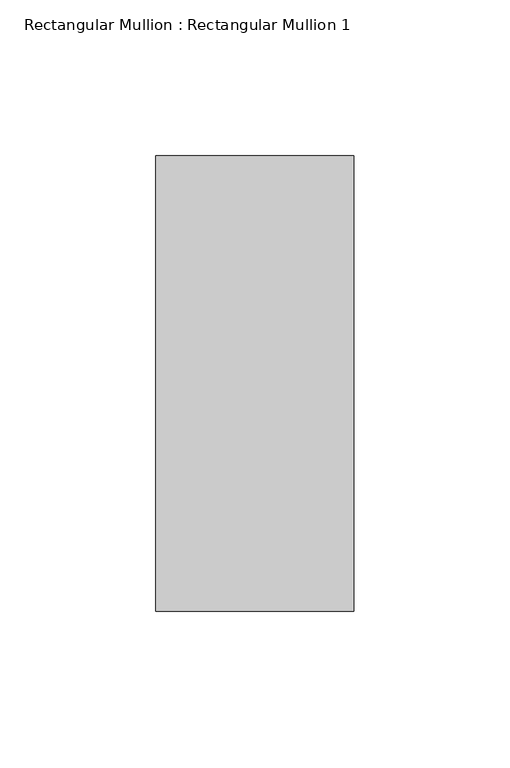
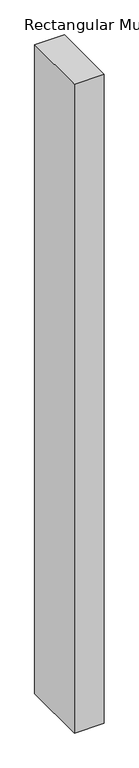
"""IFC4 building model written with IfcOpenShell, lengths in millimetres: member geometry, Rectangular Mullion : Rectangular Mullion 1."""

from ifc_helpers import new_model, si_unit, frame, origin, place, context, project, spatial, polyline, outline, extrude, source, transform, mapped, element, save


def rectangular_mullion_rectangular_mullion_1_220a56e6(model_context):
    return source(origin(), model_context, "Body", "SweptSolid", [
        extrude(outline(polyline([(0.0, 73.025), (0.0, -73.025), (-63.5, -73.025), (-63.5, 73.025), (0.0, 73.025)])), frame((0.0, 0.0, -1460.4999999), z_axis=(0.0, 0.0, 1.0), x_axis=(1.0, 0.0, 0.0)), (0.0, 0.0, 1.0), 1460.4999999),
    ])


if __name__ == "__main__":
    model = new_model("IFC4")
    model_context = context("Model", 3, world=origin())
    ifc_project = project(units=[si_unit("LENGTHUNIT", "METRE", prefix="MILLI")], contexts=[model_context])
    site = spatial("IfcSite", under=ifc_project)
    building = spatial("IfcBuilding", under=site)
    placement = place(None, origin())
    rectangular_mullion_rectangular_mullion_1_shape = rectangular_mullion_rectangular_mullion_1_220a56e6(model_context)
    element("IfcMember", 1, ObjectType="Rectangular Mullion : Rectangular Mullion 1", at=placement, inside=building, context=model_context, shape_type="MappedRepresentation", body=[
        mapped(rectangular_mullion_rectangular_mullion_1_shape, transform((0.0, 0.0, 0.0), x_axis=(1.0, 0.0, 0.0), y_axis=(0.0, 1.0, 0.0), z_axis=(0.0, 0.0, 1.0))),
    ])
    save(model, "model.ifc")
